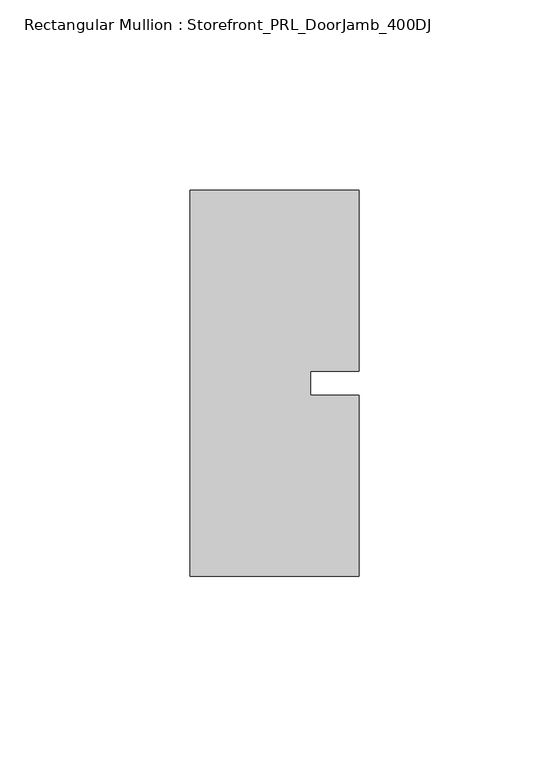
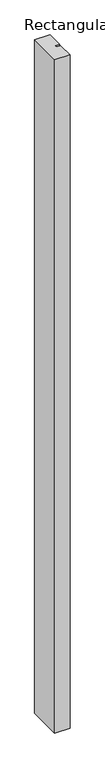
"""IFC4 building model written with IfcOpenShell, lengths in millimetres: member geometry, Rectangular Mullion : Storefront_PRL_DoorJamb_400DJ."""

from ifc_helpers import new_model, si_unit, frame, origin, place, context, project, spatial, polyline, outline, extrude, source, transform, mapped, element, save


def rectangular_mullion_storefront_prl_doorjamb_400dj_9ab0ae3e(model_context):
    return source(origin(), model_context, "Body", "SweptSolid", [
        extrude(outline(polyline([(9.525, -3.175), (22.225, -3.175), (22.225, -50.8), (-22.225, -50.8), (-22.225, 50.8), (22.225, 50.8), (22.225, 3.175), (9.525, 3.175), (9.525, -3.175)])), frame((0.0, 0.0, -2078.83125), z_axis=(0.0, 0.0, 1.0), x_axis=(1.0, 0.0, 0.0)), (0.0, 0.0, 1.0), 2078.83125),
    ])


if __name__ == "__main__":
    model = new_model("IFC4")
    model_context = context("Model", 3, world=origin())
    ifc_project = project(units=[si_unit("LENGTHUNIT", "METRE", prefix="MILLI")], contexts=[model_context])
    site = spatial("IfcSite", under=ifc_project)
    building = spatial("IfcBuilding", under=site)
    placement = place(None, origin())
    rectangular_mullion_storefront_prl_doorjamb_400dj_shape = rectangular_mullion_storefront_prl_doorjamb_400dj_9ab0ae3e(model_context)
    element("IfcMember", 1, ObjectType="Rectangular Mullion : Storefront_PRL_DoorJamb_400DJ", at=placement, inside=building, context=model_context, shape_type="MappedRepresentation", body=[
        mapped(rectangular_mullion_storefront_prl_doorjamb_400dj_shape, transform((0.0, 0.0, 0.0), x_axis=(1.0, 0.0, 0.0), y_axis=(0.0, 1.0, 0.0), z_axis=(0.0, 0.0, 1.0))),
    ])
    save(model, "model.ifc")
